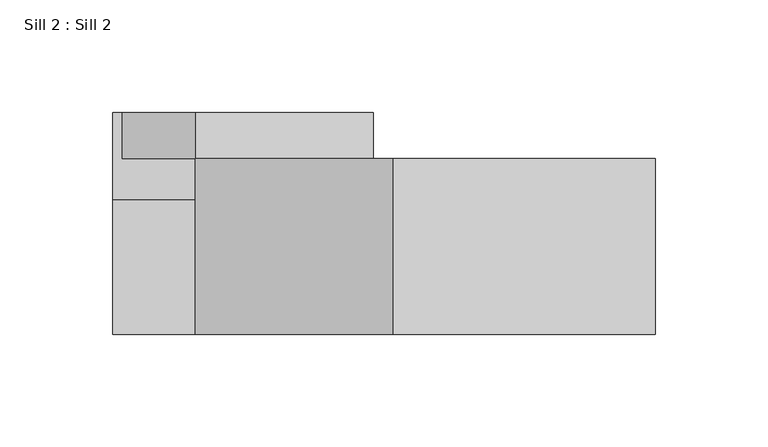
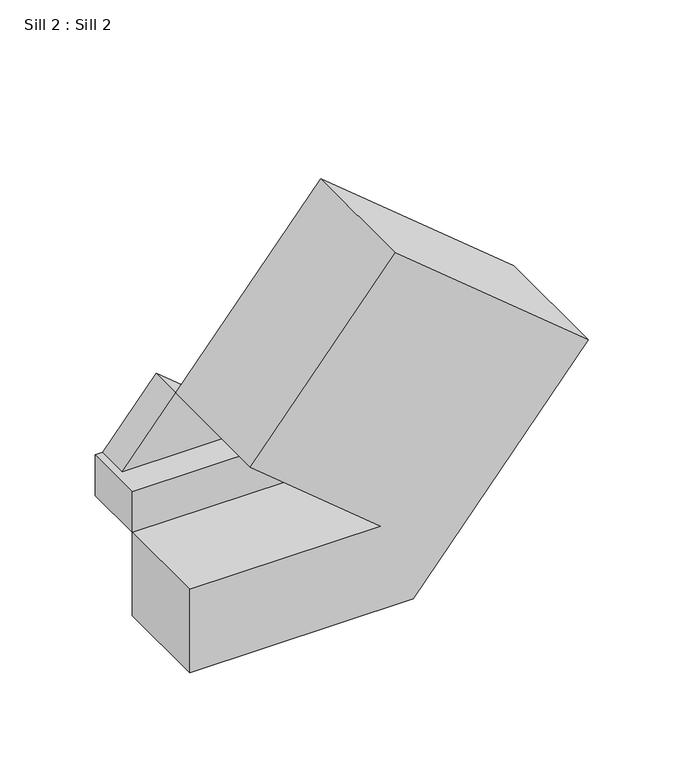
"""IFC4 building model written with IfcOpenShell, lengths in millimetres: proxy geometry, Sill 2 : Sill 2."""

import ifcopenshell
import ifcopenshell.guid

model = None  # the IFC model being written
_history = None  # IfcOwnerHistory: only IFC2X3 demands one
_inside = {}  # id of a spatial element -> (the spatial element, [elements in it])
_under = {}  # id of a project, library or spatial element -> (it, [spatial elements below it])
_declared = {}  # id of a project -> (the project, [libraries it declares])
_typed = {}  # id of a type object -> (the type object, [elements of that type])
_made_of = {}  # id of a material, layer set ... -> (it, [elements and type objects made of it])


def new_model(schema):
    """Start an empty IFC model of exactly this schema.

    Asked for "IFC4X3", IfcOpenShell would pick the latest addendum, in which some entities
    have other attributes; the version numbers below select the first issue.
    IFC2X3 requires an IfcOwnerHistory on every rooted entity: one is made here for all.
    """
    global model, _history
    if schema == "IFC4X3":
        model = ifcopenshell.file(schema_version=(4, 3, 0, 0))
    else:
        model = ifcopenshell.file(schema=schema)
    _inside.clear()
    _under.clear()
    _declared.clear()
    _typed.clear()
    _made_of.clear()
    _history = None
    if model.schema == "IFC2X3":
        org = make("IfcOrganization", Name="unknown")
        user = make(
            "IfcPersonAndOrganization",
            ThePerson=make("IfcPerson", FamilyName="unknown"),
            TheOrganization=org,
        )
        app = make(
            "IfcApplication",
            ApplicationDeveloper=org,
            Version="unknown",
            ApplicationFullName="unknown",
            ApplicationIdentifier="unknown",
        )
        _history = make(
            "IfcOwnerHistory",
            OwningUser=user,
            OwningApplication=app,
            ChangeAction="ADDED",
            CreationDate=0,
        )
    return model


def make(cls, **values):
    """One entity of the class cls with the attributes given. An attribute that is None is left unset."""
    return model.create_entity(
        cls, **{name: value for name, value in values.items() if value is not None}
    )


def rooted(cls, **values):
    """An entity with a GlobalId (a new one), such as an element, a storey or a relation."""
    return make(cls, GlobalId=ifcopenshell.guid.new(), OwnerHistory=_history, **values)


def si_unit(unit_type, name, prefix=None):
    """IfcSIUnit, for example si_unit("LENGTHUNIT", "METRE", prefix="MILLI")."""
    return make("IfcSIUnit", UnitType=unit_type, Prefix=prefix, Name=name)


def assignment(units):
    """IfcUnitAssignment: the units of a project."""
    return None if units is None else make("IfcUnitAssignment", Units=units)


def point(xyz):
    """IfcCartesianPoint."""
    return None if xyz is None else make("IfcCartesianPoint", Coordinates=xyz)


def direction(xyz):
    """IfcDirection."""
    return None if xyz is None else make("IfcDirection", DirectionRatios=xyz)


def frame(location, z_axis=None, x_axis=None):
    """IfcAxis2Placement3D, a coordinate frame: its origin and axes. An axis left out is left unset."""
    return make(
        "IfcAxis2Placement3D",
        Location=point(location),
        Axis=direction(z_axis),
        RefDirection=direction(x_axis),
    )


def origin():
    """The frame at (0, 0, 0) with its axes left unset."""
    return frame((0.0, 0.0, 0.0))


def place(relative_to, where):
    """IfcLocalPlacement: puts the frame where relative to a parent placement (None: the world)."""
    return make(
        "IfcLocalPlacement", PlacementRelTo=relative_to, RelativePlacement=where
    )


def context(
    kind, dimensions, precision=None, world=None, true_north=None, identifier=None
):
    """IfcGeometricRepresentationContext, for example the 3D "Model" context."""
    return make(
        "IfcGeometricRepresentationContext",
        ContextIdentifier=identifier,
        ContextType=kind,
        CoordinateSpaceDimension=dimensions,
        Precision=precision,
        WorldCoordinateSystem=world,
        TrueNorth=true_north,
    )


def project(units=None, contexts=None):
    """IfcProject with its units and contexts."""
    return rooted(
        "IfcProject",
        Name="project",
        RepresentationContexts=contexts,
        UnitsInContext=assignment(units),
    )


def spatial(cls, under=None, at=None, **own):
    """A site, building, storey or space (cls), placed at a placement, below another one or the project."""
    s = rooted(cls, ObjectPlacement=at, **own)
    if under is not None:
        _under.setdefault(under.id(), (under, []))[1].append(s)
    return s


def faces_of(points, faces, orient=None, outer=None):
    """IfcFace entities. A face is a list of loops; a loop is a list of indices into points, from 0.

    orient and outer hold one flag for each loop. By default every Orientation is true, the
    first loop of a face is its IfcFaceOuterBound and the others are IfcFaceBound.
    """
    made = []
    for i, loops in enumerate(faces):
        bounds = []
        for j, loop in enumerate(loops):
            is_outer = j == 0 if outer is None else outer[i][j]
            bounds.append(
                make(
                    "IfcFaceOuterBound" if is_outer else "IfcFaceBound",
                    Bound=make("IfcPolyLoop", Polygon=[points[k] for k in loop]),
                    Orientation=True if orient is None else orient[i][j],
                )
            )
        made.append(make("IfcFace", Bounds=bounds))
    return made


def faceted_brep(points, faces, orient=None, outer=None, voids=None):
    """IfcFacetedBrep: a solid bounded by flat faces; with voids (closed shells), ...WithVoids."""
    shared = [point(p) for p in points]
    hull = make("IfcClosedShell", CfsFaces=faces_of(shared, faces, orient, outer))
    if voids is None:
        return make("IfcFacetedBrep", Outer=hull)
    return make(
        "IfcFacetedBrepWithVoids",
        Outer=hull,
        Voids=[
            make(cls, CfsFaces=faces_of(shared, fs, o, b)) for cls, fs, o, b in voids
        ],
    )


def shape(context_of_items, identifier, shape_type, items):
    """IfcShapeRepresentation: the items that make up one representation, for example the "Body"."""
    return make(
        "IfcShapeRepresentation",
        ContextOfItems=context_of_items,
        RepresentationIdentifier=identifier,
        RepresentationType=shape_type,
        Items=items,
    )


def source(mapping_origin, context_of_items, identifier, shape_type, items):
    """IfcRepresentationMap: a shape defined once, which mapped items show again and again."""
    return make(
        "IfcRepresentationMap",
        MappingOrigin=mapping_origin,
        MappedRepresentation=shape(context_of_items, identifier, shape_type, items),
    )


def transform(
    local_origin,
    x_axis=None,
    y_axis=None,
    z_axis=None,
    scale=None,
    scale2=None,
    scale3=None,
    uniform=True,
):
    """IfcCartesianTransformationOperator3D, or its non-uniform kind. x_axis, y_axis, z_axis: its Axis1, 2, 3."""
    if uniform:
        return make(
            "IfcCartesianTransformationOperator3D",
            Axis1=direction(x_axis),
            Axis2=direction(y_axis),
            LocalOrigin=point(local_origin),
            Scale=scale,
            Axis3=direction(z_axis),
        )
    return make(
        "IfcCartesianTransformationOperator3DnonUniform",
        Axis1=direction(x_axis),
        Axis2=direction(y_axis),
        LocalOrigin=point(local_origin),
        Scale=scale,
        Axis3=direction(z_axis),
        Scale2=scale2,
        Scale3=scale3,
    )


def mapped(mapping_source, mapping_target):
    """IfcMappedItem: shows the shape of a source again, moved by a transform."""
    return make(
        "IfcMappedItem", MappingSource=mapping_source, MappingTarget=mapping_target
    )


def made_of(thing, what):
    """Note that an element or type object is made of a material, layer set ...; save() writes the relation."""
    if what is not None:
        _made_of.setdefault(what.id(), (what, []))[1].append(thing)
    return thing


def element(
    cls,
    number,
    at=None,
    inside=None,
    cuts=None,
    type_object=None,
    material=None,
    context=None,
    identifier="Body",
    shape_type=None,
    held_by="IfcProductDefinitionShape",
    body=None,
    shapes=None,
    **own,
):
    """One element of the class cls, such as IfcWall. Its Tag is "e" and its number.

    at: its placement. inside: the storey or other place that contains it. cuts: it is an
    opening in that element (IfcRelVoidsElement). A single representation is given by context,
    identifier, shape_type and body (its items); several are given by shapes. held_by: the class
    of the entity that holds the representations. save() writes the other relations.
    """
    e = rooted(cls, Tag="e%d" % number, ObjectPlacement=at, **own)
    if body is not None:
        shapes = [shape(context, identifier, shape_type, body)]
    if shapes is not None:
        e.Representation = make(held_by, Representations=shapes)
    if inside is not None:
        _inside.setdefault(inside.id(), (inside, []))[1].append(e)
    if cuts is not None:
        rooted(
            "IfcRelVoidsElement", RelatingBuildingElement=cuts, RelatedOpeningElement=e
        )
    if type_object is not None:
        _typed.setdefault(type_object.id(), (type_object, []))[1].append(e)
    return made_of(e, material)


def aggregate(whole, parts):
    """IfcRelAggregates: a whole, such as a stair, and the parts it consists of."""
    return rooted("IfcRelAggregates", RelatingObject=whole, RelatedObjects=parts)


def save(model, path):
    """Write the relations noted so far, then the file.

    IfcRelAggregates (storeys below a building ...), IfcRelContainedInSpatialStructure (elements
    in a storey), IfcRelDefinesByType, IfcRelAssociatesMaterial and IfcRelDeclares: one each for
    every whole, place, type object, material and project.
    """
    for whole, parts in _under.values():
        aggregate(whole, parts)
    for where, things in _inside.values():
        rooted(
            "IfcRelContainedInSpatialStructure",
            RelatedElements=things,
            RelatingStructure=where,
        )
    for kind, things in _typed.values():
        rooted("IfcRelDefinesByType", RelatedObjects=things, RelatingType=kind)
    for what, things in _made_of.values():
        rooted("IfcRelAssociatesMaterial", RelatedObjects=things, RelatingMaterial=what)
    for by, libraries in _declared.values():
        rooted("IfcRelDeclares", RelatingContext=by, RelatedDefinitions=libraries)
    model.write(path)


def sill_2_sill_2_53a4be7f(model_context):
    return source(origin(), model_context, "Body", "Brep", [
        faceted_brep([(-7422.8232142, 12835.4993892, -398.883109), (-7390.4301579, 12835.4993892, -359.7110562), (-7311.3927273, 12835.4993892, -425.070509), (-7427.0988713, 12835.4993892, -425.070509), (-7427.0988713, 12835.4993892, -398.883109), (-7390.4301579, 12815.002383, -359.7110562), (-7422.8232142, 12815.002383, -398.883109), (-7343.0604466, 12815.002383, -398.883109), (-7343.0604466, 12815.002383, -398.883109), (-7311.3927273, 12815.002383, -425.070509), (-7343.0604466, 12796.812808, -398.883109), (-7427.0988713, 12796.812808, -398.883109), (-7427.0988713, 12796.812808, -425.070509), (-7311.3927273, 12796.812808, -425.070509), (-7311.3927273, 12796.812808, -425.070509), (-7427.0988713, 12796.812808, -478.258109), (-7273.7573439, 12796.812808, -456.1928272), (-7291.9739095, 12796.812808, -478.258109), (-7427.0988713, 12736.7971992, -478.258109), (-7291.9739095, 12736.7971992, -478.258109), (-7185.931432, 12736.7971992, -349.9873112), (-7302.604246, 12736.7971992, -253.5055401), (-7390.4301579, 12736.7971992, -359.7110562), (-7311.3927273, 12736.7971992, -425.070509), (-7427.0988713, 12736.7971992, -425.070509), (-7273.7394291, 12815.002383, -456.2076417), (-7185.9135173, 12815.002383, -350.0021256), (-7302.604246, 12815.002383, -253.5055401)], [[[0, 1, 2, 3, 4]], [[5, 6, 7]], [[1, 0, 6, 5]], [[1, 5, 8, 9, 2]], [[10, 11, 12, 13]], [[4, 3, 12, 11]], [[11, 10, 7, 6, 0, 4]], [[3, 2, 9, 14, 12]], [[15, 12, 14, 16, 17]], [[18, 19, 20, 21, 22, 23, 24]], [[12, 15, 18, 24]], [[24, 23, 13, 12]], [[15, 17, 19, 18]], [[17, 16, 25, 26, 20, 19]], [[26, 25, 9, 8, 5, 27]], [[9, 25, 16, 14]], [[22, 5, 7, 10, 13, 23]], [[27, 5, 22, 21]], [[26, 27, 21, 20]]]),
    ])


if __name__ == "__main__":
    model = new_model("IFC4")
    model_context = context("Model", 3, world=origin())
    ifc_project = project(units=[si_unit("LENGTHUNIT", "METRE", prefix="MILLI")], contexts=[model_context])
    site = spatial("IfcSite", under=ifc_project)
    building = spatial("IfcBuilding", under=site)
    placement = place(None, origin())
    sill_2_sill_2_shape = sill_2_sill_2_53a4be7f(model_context)
    element("IfcBuildingElementProxy", 1, Name="Sill 2 : Sill 2", ObjectType="Sill 2 : Sill 2", at=placement, inside=building, context=model_context, shape_type="MappedRepresentation", body=[
        mapped(sill_2_sill_2_shape, transform((0.0, 0.0, 0.0), x_axis=(1.0, 0.0, 0.0), y_axis=(0.0, 1.0, 0.0), z_axis=(0.0, 0.0, 1.0))),
    ])
    save(model, "model.ifc")
